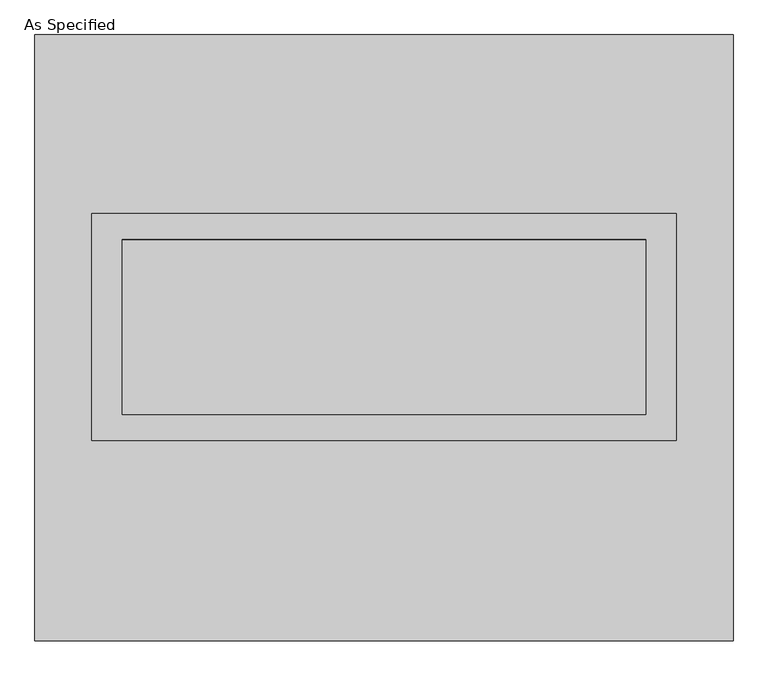
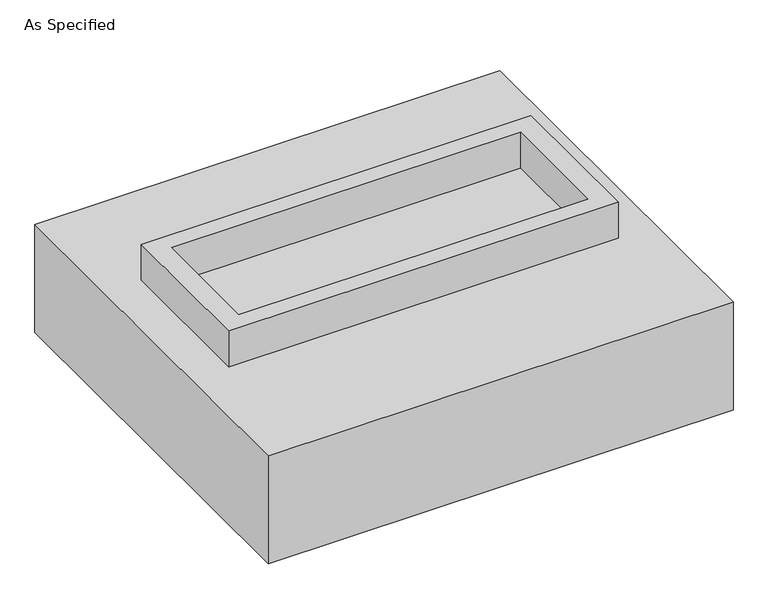
"""IFC4 building model written with IfcOpenShell, lengths in millimetres: proxy geometry, As Specified."""

from ifc_helpers import new_model, si_unit, frame, origin, place, context, project, spatial, polyline, outline, extrude, faceted_brep, source, transform, mapped, element, save


def as_specified_f379cf68(model_context):
    return source(origin(), model_context, "Body", "SolidModel", [
        extrude(outline(polyline([(850.9, 361.95), (850.9, -298.45), (-850.9, -298.45), (-850.9, 361.95), (850.9, 361.95)]), holes=[polyline([(762.0, 285.75), (-762.0, 285.75), (-762.0, -222.25), (762.0, -222.25), (762.0, 285.75)])]), frame((0.0, 0.0, -25.4), z_axis=(0.0, 0.0, 1.0), x_axis=(1.0, 0.0, 0.0)), (0.0, 0.0, 1.0), 165.1),
        extrude(outline(polyline([(762.0, 285.75), (762.0, -222.25), (-762.0, -222.25), (-762.0, 285.75), (762.0, 285.75)])), frame((0.0, 0.0, -30.3609375), z_axis=(0.0, 0.0, 1.0), x_axis=(1.0, 0.0, 0.0)), (0.0, 0.0, 1.0), 4.9609375),
        faceted_brep([(1016.0, -882.65, -523.875), (-1016.0, -882.65, -523.875), (-1016.0, 882.65, -523.875), (1016.0, 882.65, -523.875), (1016.0, 882.65, -25.4), (-1016.0, 882.65, -25.4), (-1016.0, -882.65, -25.4), (1016.0, -882.65, -25.4), (850.9, 361.95, -25.4), (850.9, -298.45, -25.4), (-850.9, -298.45, -25.4), (-850.9, 361.95, -25.4), (850.9, 361.95, -498.475), (-850.9, 361.95, -498.475), (-850.9, -298.45, -498.475), (850.9, -298.45, -498.475)], [[[0, 1, 2, 3]], [[4, 5, 6, 7], [8, 9, 10, 11]], [[3, 2, 5, 4]], [[2, 1, 6, 5]], [[0, 3, 4, 7]], [[12, 13, 14, 15]], [[14, 13, 11, 10]], [[13, 12, 8, 11]], [[12, 15, 9, 8]], [[10, 9, 15, 14]], [[1, 0, 7, 6]]]),
    ])


if __name__ == "__main__":
    model = new_model("IFC4")
    model_context = context("Model", 3, world=origin())
    ifc_project = project(units=[si_unit("LENGTHUNIT", "METRE", prefix="MILLI")], contexts=[model_context])
    site = spatial("IfcSite", under=ifc_project)
    building = spatial("IfcBuilding", under=site)
    placement = place(None, origin())
    as_specified_shape = as_specified_f379cf68(model_context)
    element("IfcBuildingElementProxy", 1, Name="As Specified", ObjectType="As Specified", at=placement, inside=building, context=model_context, shape_type="MappedRepresentation", body=[
        mapped(as_specified_shape, transform((0.0, 0.0, 0.0), x_axis=(1.0, 0.0, 0.0), y_axis=(0.0, 1.0, 0.0), z_axis=(0.0, 0.0, 1.0))),
    ])
    save(model, "model.ifc")
